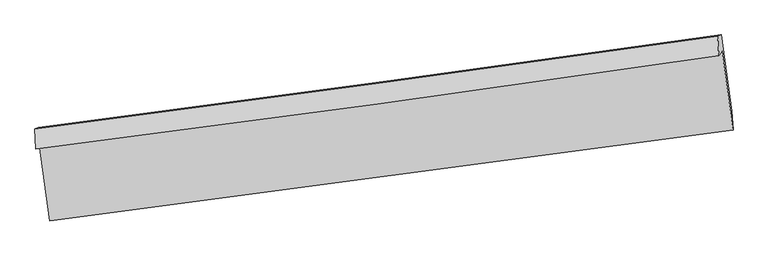
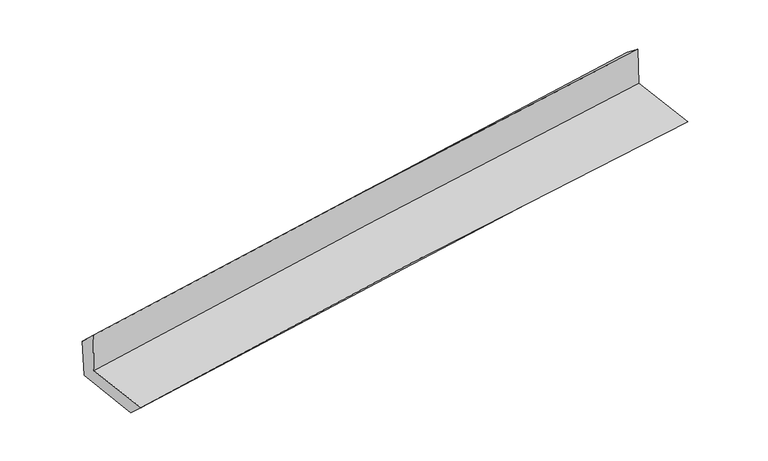
"""IFC4 building model written with IfcOpenShell, lengths in millimetres: proxy geometry."""

from ifc_helpers import new_model, si_unit, frame, origin, place, context, project, spatial, source, transform, mapped, element, save
from ifc_brep_helpers import plane_surface, spline_curve, spline_surface, advanced_brep


def generic_models_9ae4b691(model_context):
    return source(origin(), model_context, "Body", "AdvancedBrep", [
        advanced_brep(
        [(-2993.6986045, -1897.5768365, 1662.6398783), (-2903.5342095, -2561.2101697, 1640.7921919), (3041.8236704, -1769.1499067, 2115.3877713), (2946.4715222, -1082.4269923, 2137.8353896), (-3022.8585204, -1937.6294308, 2073.7757033), (2918.3971913, -1121.0406682, 2534.2625993), (-3032.1798189, -1763.525191, 1908.6529658), (2906.7416913, -954.3437287, 2403.0421327), (-3001.9996378, -1750.07279, 1527.5592993), (2936.9325165, -940.8955276, 2022.1794752), (-2912.5201912, -2401.5158897, 1494.5352585), (3030.3986413, -1606.8659315, 1988.5698496)],
        [
            (0, 1),
            (1, 2, spline_curve(3, [(-2903.5342095, -2561.2101697, 1640.7921919), (-1914.550039338, -2428.552215137, 1741.899843684), (-924.634682983, -2296.221288162, 1832.001966079), (1057.151102985, -2032.201139033, 1990.202551911), (2049.02170633, -1900.511978556, 2058.298955906), (3041.8236704, -1769.1499067, 2115.3877713)], [4, 2, 4], [0.0, 9.86830143968464, 19.73752612179112])),
            (2, 3),
            (3, 0, spline_curve(3, [(2946.4715222, -1082.4269923, 2137.8353896), (1955.97020369, -1228.17327984, 2080.300092455), (965.682222364, -1368.978523732, 2011.93045903), (-1014.374446444, -1640.694213896, 1853.529928112), (-2004.143174157, -1771.60558477, 1763.501058072), (-2993.6986045, -1897.5768365, 1662.6398783)], [4, 2, 4], [0.0, 9.86922468210648, 19.73752612179112])),
            (4, 0),
            (3, 5),
            (5, 4, spline_curve(3, [(2918.3971913, -1121.0406682, 2534.2625993), (1927.830936822, -1266.868290754, 2477.552780213), (937.420015014, -1407.834121424, 2410.821698831), (-1042.998526366, -1680.029465768, 2257.324192167), (-2033.006175165, -1811.259889671, 2170.559641252), (-3022.8585204, -1937.6294308, 2073.7757033)], [4, 2, 4], [0.0, 9.86774112155469, 19.734559139471088])),
            (6, 4),
            (5, 7),
            (7, 6, spline_curve(3, [(2906.7416913, -954.3437287, 2403.0421327), (1916.916329997, -1094.395229792, 2329.112966048), (927.070372604, -1231.855802152, 2250.947160194), (-1052.570134949, -1501.582471314, 2086.149978758), (-2042.364680778, -1633.849053427, 1999.519395685), (-3032.1798189, -1763.525191, 1908.6529658)], [4, 2, 4], [0.0, 9.86697087521517, 19.733018718846754])),
            (8, 6),
            (7, 9),
            (9, 8, spline_curve(3, [(2936.9325165, -940.8955276, 2022.1794752), (1947.89362208, -1080.595214293, 1938.267683708), (958.439992575, -1217.879537508, 1855.09154615), (-1021.204136552, -1487.604839823, 1690.218291961), (-2011.394558624, -1620.046270642, 1608.521037421), (-3001.9996378, -1750.07279, 1527.5592993)], [4, 2, 4], [0.0, 9.866268935729359, 19.731614905539896])),
            (10, 8),
            (9, 11),
            (11, 10, spline_curve(3, [(3030.3986413, -1606.8659315, 1988.5698496), (2040.022541045, -1739.189894139, 1905.007406179), (1049.56808576, -1871.575805873, 1822.054738195), (-931.404873179, -2136.459136946, 1657.376655186), (-1921.923361975, -2268.956544697, 1575.651126302), (-2912.5201912, -2401.5158897, 1494.5352585)], [4, 2, 4], [0.0, 9.867841598627544, 19.734760084217406])),
            (1, 10),
            (11, 2),
        ],
        [
            spline_surface(3, 3, [[(-2993.6986045, -1897.5768365, 1662.6398783), (-2004.143174179, -1771.605584895, 1763.501058054), (-1014.374446529, -1640.694213982, 1853.529928213), (965.682222449, -1368.978523646, 2011.93045893), (1955.970203718, -1228.173279836, 2080.300092553), (2946.4715222, -1082.4269923, 2137.8353896)], [(-2963.643806151, -2118.787947543, 1655.357316167), (-1974.27879589, -1990.587794948, 1756.300653273), (-984.461191948, -1859.203238668, 1846.353940815), (996.17184928, -1590.052728833, 2004.687823239), (1986.987371283, -1452.286179422, 2072.966380383), (2978.255571629, -1311.334630441, 2130.352850177)], [(-2933.589007849, -2339.999058657, 1648.074754033), (-1944.414417648, -2209.570005072, 1749.100248492), (-954.547937443, -2077.712263328, 1839.177953473), (1026.661476034, -1811.126933993, 1997.445187605), (2018.00453876, -1676.399078986, 2065.632668183), (3010.039620971, -1540.242268559, 2122.870310723)], [(-2903.5342095, -2561.2101697, 1640.7921919), (-1914.550039359, -2428.552215126, 1741.899843711), (-924.634682862, -2296.221288015, 1832.001966075), (1057.151102864, -2032.20113918, 1990.202551915), (2049.021706325, -1900.511978572, 2058.298956013), (3041.8236704, -1769.1499067, 2115.3877713)]], [4, 4], [4, 2, 4], [0.0, 2.1847846382200276], [0.0, 9.86830143968464, 19.73752612179112]),
            spline_surface(3, 3, [[(-3022.8585204, -1937.6294308, 2073.7757033), (-2033.006175329, -1811.25988963, 2170.559641373), (-1042.998526426, -1680.029465908, 2257.324192068), (937.420015074, -1407.834121284, 2410.82169893), (1927.830936749, -1266.868290806, 2477.552780197), (2918.3971913, -1121.0406682, 2534.2625993)], [(-3013.138548446, -1924.278566056, 1936.7304283), (-2023.385174959, -1798.041788074, 2034.873446934), (-1033.45716648, -1666.917715267, 2122.726104118), (946.840750846, -1394.882255405, 2277.857952265), (1937.210692389, -1253.969953834, 2345.135217622), (2927.755301583, -1108.169442918, 2402.12019604)], [(-3003.418576454, -1910.927701244, 1799.6851533), (-2013.764174549, -1784.823686451, 1899.187252493), (-1023.915806475, -1653.805964623, 1988.128016163), (956.261486677, -1381.930389524, 2144.894205595), (1946.590448078, -1241.071616808, 2212.717655128), (2937.113411917, -1095.298217582, 2269.97779286)], [(-2993.6986045, -1897.5768365, 1662.6398783), (-2004.143174179, -1771.605584895, 1763.501058054), (-1014.374446529, -1640.694213982, 1853.529928213), (965.682222449, -1368.978523646, 2011.93045893), (1955.970203718, -1228.173279836, 2080.300092553), (2946.4715222, -1082.4269923, 2137.8353896)]], [4, 4], [4, 2, 4], [0.0, 1.3262601299746657], [0.0, 9.866818017916398, 19.734559139471088]),
            spline_surface(3, 3, [[(-3032.1798189, -1763.525191, 1908.6529658), (-2042.364680752, -1633.849053403, 1999.519395532), (-1052.570134786, -1501.58247141, 2086.149978683), (927.07037244, -1231.855802056, 2250.947160269), (1916.916329929, -1094.395229913, 2329.112966082), (2906.7416913, -954.3437287, 2403.0421327)], [(-3029.072719406, -1821.559937598, 1963.693878288), (-2039.24517895, -1692.98599881, 2056.532810801), (-1049.379598675, -1561.064802906, 2143.208049827), (930.52025331, -1290.515241795, 2304.238673172), (1920.554532217, -1151.88625019, 2378.592904126), (2910.626857981, -1009.90937518, 2446.782288239)], [(-3025.965619894, -1879.594684202, 2018.734790812), (-2036.125677131, -1752.122944223, 2113.546226105), (-1046.189062538, -1620.547134413, 2200.266120924), (933.970134204, -1349.174681545, 2357.530186028), (1924.192734461, -1209.377270529, 2428.072842153), (2914.512024619, -1065.47502172, 2490.522443761)], [(-3022.8585204, -1937.6294308, 2073.7757033), (-2033.006175329, -1811.25988963, 2170.559641373), (-1042.998526426, -1680.029465908, 2257.324192068), (937.420015074, -1407.834121284, 2410.82169893), (1927.830936749, -1266.868290806, 2477.552780197), (2918.3971913, -1121.0406682, 2534.2625993)]], [4, 4], [4, 2, 4], [0.0, 0.7962487149252515], [0.0, 9.866047843631584, 19.733018718846754]),
            spline_surface(3, 3, [[(-3001.9996378, -1750.07279, 1527.5592993), (-2011.39455846, -1620.046270741, 1608.521037303), (-1021.204136501, -1487.6048398, 1690.218291894), (958.439992525, -1217.879537531, 1855.091546217), (1947.893621997, -1080.595214374, 1938.267683618), (2936.9325165, -940.8955276, 2022.1794752)], [(-3012.059698144, -1754.556923643, 1654.590521471), (-2021.717932535, -1624.647198272, 1738.853823384), (-1031.659469243, -1492.264050356, 1822.19552083), (947.983452516, -1222.538292392, 1987.043417575), (1937.567857969, -1085.195219566, 2068.549444458), (2926.868908095, -945.378261312, 2149.133694385)], [(-3022.119758556, -1759.041057357, 1781.621743629), (-2032.041306677, -1629.248125872, 1869.186609452), (-1042.114802044, -1496.923260855, 1954.172749746), (937.526912449, -1227.197047195, 2118.995288911), (1927.242093956, -1089.795224721, 2198.831205243), (2916.805299705, -949.860994988, 2276.087913515)], [(-3032.1798189, -1763.525191, 1908.6529658), (-2042.364680752, -1633.849053403, 1999.519395532), (-1052.570134786, -1501.58247141, 2086.149978683), (927.07037244, -1231.855802056, 2250.947160269), (1916.916329929, -1094.395229913, 2329.112966082), (2906.7416913, -954.3437287, 2403.0421327)]], [4, 4], [4, 2, 4], [0.0, 1.3037410233623046], [0.0, 9.865345969810537, 19.731614905539896]),
            spline_surface(3, 3, [[(-2912.5201912, -2401.5158897, 1494.5352585), (-1921.923361959, -2268.956544608, 1575.651126312), (-931.404873129, -2136.459136903, 1657.376655207), (1049.56808571, -1871.575805916, 1822.054738174), (2040.02254102, -1739.189894216, 1905.007406283), (3030.3986413, -1606.8659315, 1988.5698496)], [(-2942.346673402, -2184.368189808, 1505.543272111), (-1951.747094128, -2052.653119994, 1586.60776332), (-961.337960919, -1920.174371195, 1668.323867433), (1019.192054649, -1653.67704978, 1833.067007519), (2009.312901331, -1519.658334256, 1916.094165379), (2999.243266352, -1384.875796855, 1999.773058118)], [(-2972.173155598, -1967.220489892, 1516.551285689), (-1981.570826291, -1836.349695355, 1597.564400295), (-991.271048711, -1703.889605508, 1679.271079668), (988.816023586, -1435.778293666, 1844.079276872), (1978.603261686, -1300.126774333, 1927.180924522), (2968.087891448, -1162.885662245, 2010.976266682)], [(-3001.9996378, -1750.07279, 1527.5592993), (-2011.39455846, -1620.046270741, 1608.521037303), (-1021.204136501, -1487.6048398, 1690.218291894), (958.439992525, -1217.879537531, 1855.091546217), (1947.893621997, -1080.595214374, 1938.267683618), (2936.9325165, -940.8955276, 2022.1794752)]], [4, 4], [4, 2, 4], [0.0, 2.1599502832568382], [0.0, 9.866918485589862, 19.734760084217406]),
            spline_surface(3, 3, [[(-2903.5342095, -2561.2101697, 1640.7921919), (-1914.550039359, -2428.552215126, 1741.899843711), (-924.634682862, -2296.221288015, 1832.001966075), (1057.151102864, -2032.20113918, 1990.202551915), (2049.021706325, -1900.511978572, 2058.298956013), (3041.8236704, -1769.1499067, 2115.3877713)], [(-2906.52953675, -2507.978743052, 1592.039880763), (-1917.007813576, -2375.353658305, 1686.483604574), (-926.891412968, -2242.967237626, 1773.793529116), (1054.623430463, -1978.659361407, 1934.153280665), (2046.021984549, -1846.737950448, 2007.201772779), (3038.015327359, -1715.055248295, 2073.115130742)], [(-2909.52486395, -2454.747316348, 1543.287569637), (-1919.465587743, -2322.155101429, 1631.067365448), (-929.148143024, -2189.713187291, 1715.585092166), (1052.095758112, -1925.117583689, 1878.104009424), (2043.022262796, -1792.96392234, 1956.104589518), (3034.206984341, -1660.960589905, 2030.842490158)], [(-2912.5201912, -2401.5158897, 1494.5352585), (-1921.923361959, -2268.956544608, 1575.651126312), (-931.404873129, -2136.459136903, 1657.376655207), (1049.56808571, -1871.575805916, 1822.054738174), (2040.02254102, -1739.189894216, 1905.007406283), (3030.3986413, -1606.8659315, 1988.5698496)]], [4, 4], [4, 2, 4], [0.0, 0.770032078715217], [0.0, 9.869051249039234, 19.73902581064975]),
            plane_surface(frame((2963.4608722, -1245.7871258, 2200.2128696), z_axis=(0.9874441868899516, 0.1343938401768281, 0.08301971753606235), x_axis=(-0.07897279334095612, -0.03517764094405602, 0.9962559066271767))),
            plane_surface(frame((-2977.798497, -2051.921718, 1717.9925495), z_axis=(-0.9878480147596346, -0.13148547469219596, -0.08287261115963984), x_axis=(-0.1345563187239973, 0.9903694051655403, 0.0326042697127233))),
        ],
        [
            (0, [[1, 2, 3, 4]]),
            (1, [[5, -4, 6, 7]]),
            (2, [[8, -7, 9, 10]]),
            (3, [[11, -10, 12, 13]]),
            (4, [[14, -13, 15, 16]]),
            (5, [[17, -16, 18, -2]]),
            (6, [[-12, -9, -6, -3, -18, -15]]),
            (7, [[-1, -5, -8, -11, -14, -17]]),
        ],
    ),
    ])


if __name__ == "__main__":
    model = new_model("IFC4")
    model_context = context("Model", 3, world=origin())
    ifc_project = project(units=[si_unit("LENGTHUNIT", "METRE", prefix="MILLI")], contexts=[model_context])
    site = spatial("IfcSite", under=ifc_project)
    building = spatial("IfcBuilding", under=site)
    placement = place(None, origin())
    generic_models_shape = generic_models_9ae4b691(model_context)
    element("IfcBuildingElementProxy", 1, Name="Generic Models", at=placement, inside=building, context=model_context, shape_type="MappedRepresentation", body=[
        mapped(generic_models_shape, transform((0.0, 0.0, 0.0), x_axis=(1.0, 0.0, 0.0), y_axis=(0.0, 1.0, 0.0), z_axis=(0.0, 0.0, 1.0))),
    ])
    save(model, "model.ifc")
